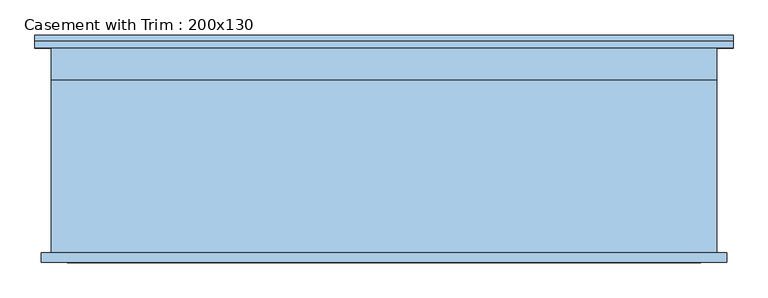
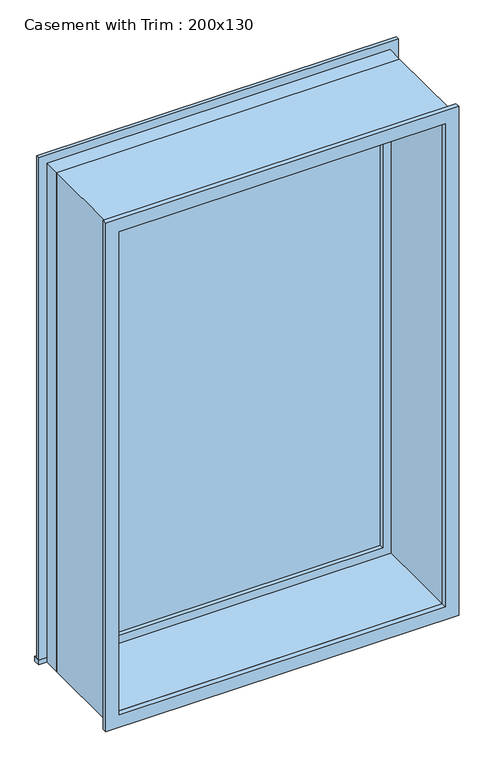
"""IFC4 building model written with IfcOpenShell, lengths in millimetres: window geometry, Casement with Trim : 200x130."""

from ifc_helpers import new_model, si_unit, frame, origin, place, context, project, spatial, polyline, outline, extrude, source, transform, mapped, element, save


def casement_with_trim_200x130_d4ca3b48(model_context):
    return source(origin(), model_context, "Body", "SweptSolid", [
        extrude(outline(polyline([(-681.75, 225.4), (681.75, 225.4), (681.75, 200.0), (-681.75, 200.0), (-681.75, 225.4)])), frame((0.0, 0.0, 914.4), z_axis=(0.0, 0.0, 1.0), x_axis=(1.0, 0.0, 0.0)), (0.0, 0.0, 1.0), 19.05),
        extrude(outline(polyline([(2895.35, -630.95), (2895.35, 630.95), (933.45, 630.95), (933.45, 681.75), (2946.15, 681.75), (2946.15, -681.75), (933.45, -681.75), (933.45, -630.95), (2895.35, -630.95)])), frame((0.0, 200.0, 0.0), z_axis=(0.0, 1.0, 0.0), x_axis=(0.0, 0.0, 1.0)), (0.0, 0.0, 1.0), 12.7),
        extrude(outline(polyline([(2933.45, 669.05), (2933.45, -669.05), (895.35, -669.05), (895.35, 669.05), (2933.45, 669.05)]), holes=[polyline([(2882.65, 618.25), (946.15, 618.25), (946.15, -618.25), (2882.65, -618.25), (2882.65, 618.25)])]), frame((0.0, -219.05, 0.0), z_axis=(0.0, 1.0, 0.0), x_axis=(0.0, 0.0, 1.0)), (0.0, 0.0, 1.0), 19.05),
        extrude(outline(polyline([(586.5, 152.375), (-586.5, 152.375), (-586.5, 165.075), (586.5, 165.075), (586.5, 152.375)])), frame((0.0, 0.0, 977.9), z_axis=(0.0, 0.0, 1.0), x_axis=(1.0, 0.0, 0.0)), (0.0, 0.0, 1.0), 1873.0),
        extrude(outline(polyline([(2895.35, -630.95), (933.45, -630.95), (933.45, 630.95), (2895.35, 630.95), (2895.35, -630.95)]), holes=[polyline([(2850.9, -586.5), (2850.9, 586.5), (977.9, 586.5), (977.9, -586.5), (2850.9, -586.5)])]), frame((0.0, 136.5, 0.0), z_axis=(0.0, 1.0, 0.0), x_axis=(0.0, 0.0, 1.0)), (0.0, 0.0, 1.0), 44.45),
        extrude(outline(polyline([(2914.4, -650.0), (914.4, -650.0), (914.4, 650.0), (2914.4, 650.0), (2914.4, -650.0)]), holes=[polyline([(2882.65, -618.25), (2882.65, 618.25), (946.15, 618.25), (946.15, -618.25), (2882.65, -618.25)])]), frame((0.0, -200.0, 0.0), z_axis=(0.0, 1.0, 0.0), x_axis=(0.0, 0.0, 1.0)), (0.0, 0.0, 1.0), 336.5),
        extrude(outline(polyline([(2914.4, 650.0), (2914.4, -650.0), (914.4, -650.0), (914.4, 650.0), (2914.4, 650.0)]), holes=[polyline([(2895.35, 630.95), (933.45, 630.95), (933.45, -630.95), (2895.35, -630.95), (2895.35, 630.95)])]), frame((0.0, 136.5, 0.0), z_axis=(0.0, 1.0, 0.0), x_axis=(0.0, 0.0, 1.0)), (0.0, 0.0, 1.0), 63.5),
    ])


if __name__ == "__main__":
    model = new_model("IFC4")
    model_context = context("Model", 3, world=origin())
    ifc_project = project(units=[si_unit("LENGTHUNIT", "METRE", prefix="MILLI")], contexts=[model_context])
    site = spatial("IfcSite", under=ifc_project)
    building = spatial("IfcBuilding", under=site)
    placement = place(None, origin())
    casement_with_trim_200x130_shape = casement_with_trim_200x130_d4ca3b48(model_context)
    element("IfcWindow", 1, ObjectType="Casement with Trim : 200x130", at=placement, inside=building, context=model_context, shape_type="MappedRepresentation", body=[
        mapped(casement_with_trim_200x130_shape, transform((0.0, 0.0, 0.0), x_axis=(1.0, 0.0, 0.0), y_axis=(0.0, 1.0, 0.0), z_axis=(0.0, 0.0, 1.0))),
    ])
    save(model, "model.ifc")
